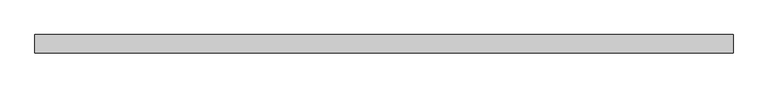
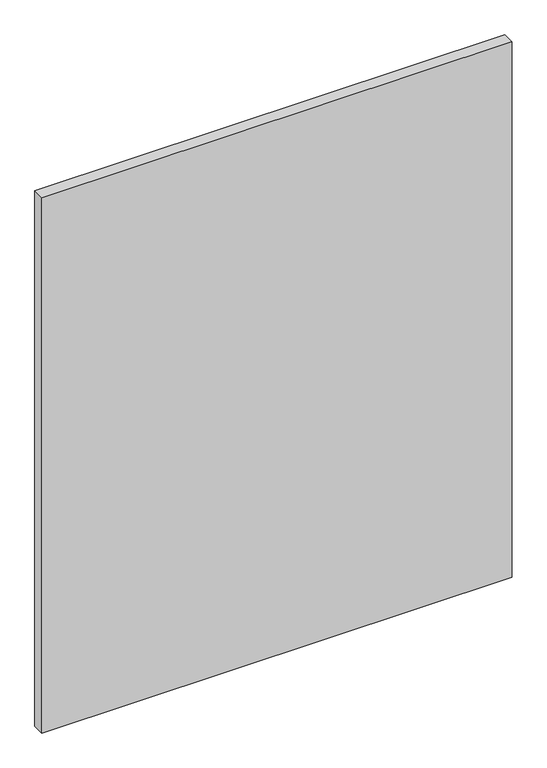
"""IFC4 building model written with IfcOpenShell, lengths in millimetres: plate geometry."""

from ifc_helpers import new_model, si_unit, origin, origin_with_axes, place, context, project, spatial, polyline, outline, extrude, source, transform, mapped, element, save


def plate_f98ca5d2(model_context):
    return source(origin(), model_context, "Body", "SweptSolid", [
        extrude(outline(polyline([(731.5218989, -19.05), (-731.5218989, -19.05), (-731.5218989, 19.05), (731.5218989, 19.05), (731.5218989, -19.05)])), origin_with_axes(), (0.0, 0.0, 1.0), 1761.3),
    ])


if __name__ == "__main__":
    model = new_model("IFC4")
    model_context = context("Model", 3, world=origin())
    ifc_project = project(units=[si_unit("LENGTHUNIT", "METRE", prefix="MILLI")], contexts=[model_context])
    site = spatial("IfcSite", under=ifc_project)
    building = spatial("IfcBuilding", under=site)
    placement = place(None, origin())
    plate_shape = plate_f98ca5d2(model_context)
    element("IfcPlate", 1, at=placement, inside=building, context=model_context, shape_type="MappedRepresentation", body=[
        mapped(plate_shape, transform((0.0, 0.0, 0.0), x_axis=(1.0, 0.0, 0.0), y_axis=(0.0, 1.0, 0.0), z_axis=(0.0, 0.0, 1.0))),
    ])
    save(model, "model.ifc")
